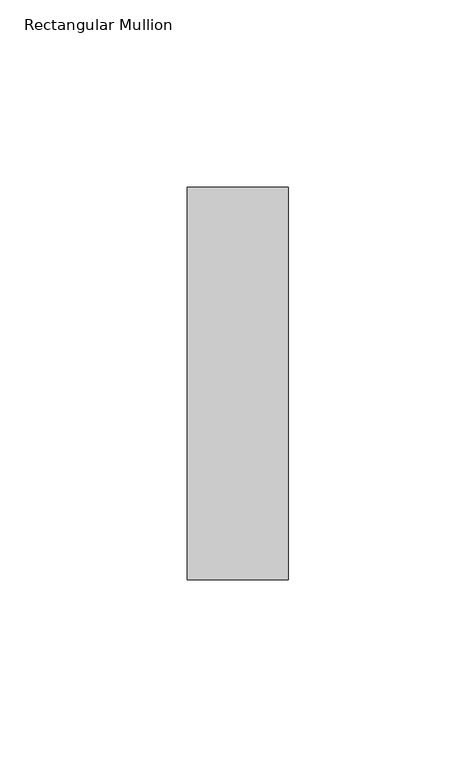
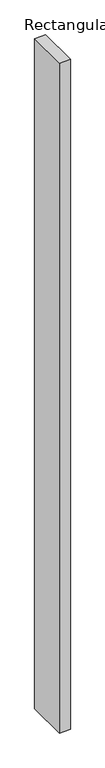
"""IFC4 building model written with IfcOpenShell, lengths in millimetres: member geometry, Rectangular Mullion."""

from ifc_helpers import new_model, si_unit, frame, origin, place, context, project, spatial, polyline, outline, extrude, source, transform, mapped, element, save


def rectangular_mullion_a4f776b4(model_context):
    return source(origin(), model_context, "Body", "SweptSolid", [
        extrude(outline(polyline([(-27.0, 52.3975), (0.0, 52.3975), (0.0, -52.3975), (-27.0, -52.3975), (-27.0, 52.3975)])), frame((0.0, 0.0, -1739.6666667), z_axis=(0.0, 0.0, 1.0), x_axis=(1.0, 0.0, 0.0)), (0.0, 0.0, 1.0), 1739.6666667),
    ])


if __name__ == "__main__":
    model = new_model("IFC4")
    model_context = context("Model", 3, world=origin())
    ifc_project = project(units=[si_unit("LENGTHUNIT", "METRE", prefix="MILLI")], contexts=[model_context])
    site = spatial("IfcSite", under=ifc_project)
    building = spatial("IfcBuilding", under=site)
    placement = place(None, origin())
    rectangular_mullion_shape = rectangular_mullion_a4f776b4(model_context)
    element("IfcMember", 1, ObjectType="Rectangular Mullion", at=placement, inside=building, context=model_context, shape_type="MappedRepresentation", body=[
        mapped(rectangular_mullion_shape, transform((0.0, 0.0, 0.0), x_axis=(1.0, 0.0, 0.0), y_axis=(0.0, 1.0, 0.0), z_axis=(0.0, 0.0, 1.0))),
    ])
    save(model, "model.ifc")
